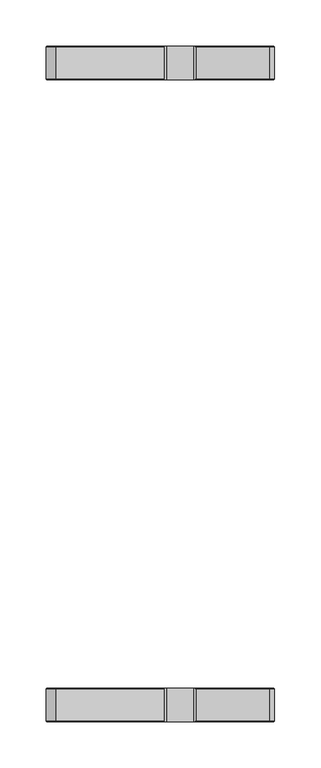
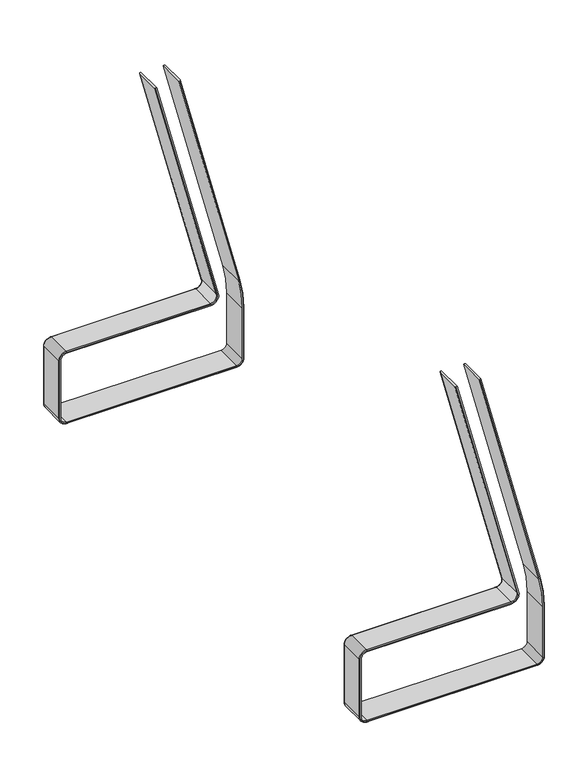
"""IFC4 building model written with IfcOpenShell, lengths in millimetres: furniture geometry."""

from ifc_helpers import new_model, si_unit, point, frame, origin, place, context, project, spatial, polyline, circle_curve, ellipse_curve, trimmed, source, transform, mapped, element, save
from ifc_brep_helpers import plane_surface, cylinder_surface, revolved_surface, advanced_brep


def furniture_10f48ba0(model_context):
    return source(origin(), model_context, "Body", "AdvancedBrep", [
        advanced_brep(
        [(162.3124361, -698.5577093, 711.0859566), (161.1480613, -697.3552722, 710.7858129), (160.0335613, -697.3552722, 710.4985256), (160.0335613, -733.601072, 710.4985256), (161.1378759, -733.601072, 710.7831874), (162.3124361, -732.3881165, 711.0859566), (242.0334385, -732.3881165, 401.8169835), (242.0334385, -698.5577093, 401.8169835), (240.8588783, -733.601072, 401.5142143), (239.7545637, -733.601072, 401.2295525), (244.9061895, -733.601072, 360.6059113), (244.9061895, -733.601072, 289.6814905), (237.4355134, -733.601072, 282.2108144), (10.6643227, -733.601072, 282.2108144), (2.3533689, -733.601072, 290.5217681), (2.3533689, -733.601072, 371.3713747), (10.0860828, -733.601072, 379.1040886), (202.6657788, -733.601072, 379.1040886), (212.8298487, -733.601072, 392.2204284), (130.4438897, -733.601072, 711.8278113), (129.3395751, -733.601072, 711.5431495), (211.7255341, -733.601072, 391.9357666), (202.6657788, -733.601072, 380.2445021), (10.0860828, -733.601072, 380.2445021), (1.2129555, -733.601072, 371.3713747), (1.2129555, -733.601072, 290.5217681), (10.6643227, -733.601072, 281.0704009), (237.4355134, -733.601072, 281.0704009), (246.046603, -733.601072, 289.6814905), (246.046603, -733.601072, 360.6059113), (239.7545637, -697.3552722, 401.2295525), (240.8690637, -697.3552722, 401.5168398), (246.0571213, -697.3552722, 360.6059113), (246.0571213, -697.3552722, 289.6814905), (237.4355134, -697.3552722, 281.0598825), (10.6643227, -697.3552722, 281.0598825), (1.2024371, -697.3552722, 290.5217681), (1.2024371, -697.3552722, 371.3713747), (10.0860828, -697.3552722, 380.2550204), (202.6657788, -697.3552722, 380.2550204), (211.7153487, -697.3552722, 391.9331411), (129.3293897, -697.3552722, 711.540524), (130.4438897, -697.3552722, 711.8278113), (212.8298487, -697.3552722, 392.2204284), (202.6657788, -697.3552722, 379.1040886), (10.0860828, -697.3552722, 379.1040886), (2.3533689, -697.3552722, 371.3713747), (2.3533689, -697.3552722, 290.5217681), (10.6643227, -697.3552722, 282.2108144), (237.4355134, -697.3552722, 282.2108144), (244.9061895, -697.3552722, 289.6814905), (244.9061895, -697.3552722, 360.6059113), (247.2595585, -698.5577093, 360.6059113), (247.2595585, -732.3881165, 360.6059113), (247.2595585, -732.3881165, 289.6814905), (247.2595585, -698.5577093, 289.6814905), (237.4355134, -698.5577093, 279.8574454), (237.4355134, -732.3881165, 279.8574454), (10.6643227, -732.3881165, 279.8574454), (10.6643227, -698.5577093, 279.8574454), (0.0, -698.5577093, 290.5217681), (0.0, -732.3881165, 290.5217681), (0.0, -732.3881165, 371.3713747), (0.0, -698.5577093, 371.3713747), (10.0860828, -698.5577093, 381.4574575), (10.0860828, -732.3881165, 381.4574575), (202.6657788, -732.3881165, 381.4574575), (202.6657788, -698.5577093, 381.4574575), (210.5509739, -698.5577093, 391.6329974), (210.5509739, -732.3881165, 391.6329974), (128.1650149, -698.5577093, 711.2403803), (128.1650149, -732.3881165, 711.2403803)],
        [
            (0, 1, circle_curve(frame((161.1480613, -698.5577093, 710.7858129), z_axis=(-0.24961279341432785, 0.0, 0.9683457302863975), x_axis=(0.0, 1.0, 0.0)), 1.2024371)),
            (1, 2),
            (2, 3),
            (3, 4),
            (4, 5, circle_curve(frame((161.1378759, -732.3881165, 710.7831874), z_axis=(-0.24961279341432785, 0.0, 0.9683457302863975), x_axis=(0.0, 1.0, 0.0)), 1.2129555)),
            (5, 0),
            (5, 6),
            (6, 7),
            (7, 0),
            (4, 8),
            (8, 6, circle_curve(frame((240.8588783, -732.3881165, 401.5142143), z_axis=(-0.24961279341432785, 0.0, 0.9683457302863975), x_axis=(0.0, 1.0, 0.0)), 1.2129555)),
            (3, 9),
            (9, 10, circle_curve(frame((82.1595585, -733.601072, 360.6059113), z_axis=(0.0, 1.0, 0.0), x_axis=(0.9683457302863973, 0.0, 0.24961279341432788)), 162.7466311)),
            (10, 11),
            (11, 12, circle_curve(frame((237.4355134, -733.601072, 289.6814905), z_axis=(0.0, 1.0, 0.0), x_axis=(1.0, 0.0, 0.0)), 7.4706762)),
            (12, 13),
            (13, 14, circle_curve(frame((10.6643227, -733.601072, 290.5217681), z_axis=(0.0, 1.0, 0.0), x_axis=(0.0, 0.0, -1.0)), 8.3109538)),
            (14, 15),
            (15, 16, circle_curve(frame((10.0860828, -733.601072, 371.3713747), z_axis=(0.0, 1.0, 0.0), x_axis=(-1.0, 0.0, 0.0)), 7.7327139)),
            (16, 17),
            (17, 18, circle_curve(frame((202.6657788, -733.601072, 389.6004119), z_axis=(0.0, -1.0, 0.0), x_axis=(0.0, 0.0, -1.0)), 10.4963233)),
            (18, 19),
            (19, 20),
            (20, 21),
            (21, 22, circle_curve(frame((202.6657788, -733.601072, 389.6004119), z_axis=(0.0, 1.0, 0.0), x_axis=(0.0, 0.0, -1.0)), 9.3559098)),
            (22, 23),
            (23, 24, circle_curve(frame((10.0860828, -733.601072, 371.3713747), z_axis=(0.0, -1.0, 0.0), x_axis=(-1.0, 0.0, 0.0)), 8.8731274)),
            (24, 25),
            (25, 26, circle_curve(frame((10.6643227, -733.601072, 290.5217681), z_axis=(0.0, -1.0, 0.0), x_axis=(0.0, 0.0, -1.0)), 9.4513672)),
            (26, 27),
            (27, 28, circle_curve(frame((237.4355134, -733.601072, 289.6814905), z_axis=(0.0, -1.0, 0.0), x_axis=(1.0, 0.0, 0.0)), 8.6110896)),
            (28, 29),
            (29, 8, circle_curve(frame((82.1595585, -733.601072, 360.6059113), z_axis=(0.0, -1.0, 0.0), x_axis=(0.9683457302863973, 0.0, 0.24961279341432788)), 163.8870445)),
            (2, 30),
            (30, 9),
            (1, 31),
            (31, 32, circle_curve(frame((82.1595585, -697.3552722, 360.6059113), z_axis=(0.0, 1.0, 0.0), x_axis=(0.9683457302863973, 0.0, 0.24961279341432788)), 163.8975629)),
            (32, 33),
            (33, 34, circle_curve(frame((237.4355134, -697.3552722, 289.6814905), z_axis=(0.0, 1.0, 0.0), x_axis=(1.0, 0.0, 0.0)), 8.621608)),
            (34, 35),
            (35, 36, circle_curve(frame((10.6643227, -697.3552722, 290.5217681), z_axis=(0.0, 1.0, 0.0), x_axis=(0.0, 0.0, -1.0)), 9.4618856)),
            (36, 37),
            (37, 38, circle_curve(frame((10.0860828, -697.3552722, 371.3713747), z_axis=(0.0, 1.0, 0.0), x_axis=(-1.0, 0.0, 0.0)), 8.8836457)),
            (38, 39),
            (39, 40, circle_curve(frame((202.6657788, -697.3552722, 389.6004119), z_axis=(0.0, -1.0, 0.0), x_axis=(0.0, 0.0, -1.0)), 9.3453914)),
            (40, 41),
            (41, 42),
            (42, 43),
            (43, 44, circle_curve(frame((202.6657788, -697.3552722, 389.6004119), z_axis=(0.0, 1.0, 0.0), x_axis=(0.0, 0.0, -1.0)), 10.4963233)),
            (44, 45),
            (45, 46, circle_curve(frame((10.0860828, -697.3552722, 371.3713747), z_axis=(0.0, -1.0, 0.0), x_axis=(-1.0, 0.0, 0.0)), 7.7327139)),
            (46, 47),
            (47, 48, circle_curve(frame((10.6643227, -697.3552722, 290.5217681), z_axis=(0.0, -1.0, 0.0), x_axis=(0.0, 0.0, -1.0)), 8.3109538)),
            (48, 49),
            (49, 50, circle_curve(frame((237.4355134, -697.3552722, 289.6814905), z_axis=(0.0, -1.0, 0.0), x_axis=(1.0, 0.0, 0.0)), 7.4706762)),
            (50, 51),
            (51, 30, circle_curve(frame((82.1595585, -697.3552722, 360.6059113), z_axis=(0.0, -1.0, 0.0), x_axis=(0.9683457302863973, 0.0, 0.24961279341432788)), 162.7466311)),
            (7, 31, circle_curve(frame((240.8690637, -698.5577093, 401.5168398), z_axis=(-0.24961279341432785, 0.0, 0.9683457302863975), x_axis=(0.0, 1.0, 0.0)), 1.2024371)),
            (52, 7, circle_curve(frame((82.1595585, -698.5577093, 360.6059113), z_axis=(0.0, -1.0, 0.0), x_axis=(0.9683457302863973, 0.0, 0.24961279341432788)), 165.1)),
            (6, 53, circle_curve(frame((82.1595585, -732.3881165, 360.6059113), z_axis=(0.0, 1.0, 0.0), x_axis=(0.9683457302863973, 0.0, 0.24961279341432788)), 165.1)),
            (53, 52),
            (29, 53, circle_curve(frame((246.046603, -732.3881165, 360.6059113), z_axis=(0.0, 0.0, 1.0), x_axis=(0.0, 1.0, 0.0)), 1.2129555)),
            (51, 10),
            (52, 32, circle_curve(frame((246.0571213, -698.5577093, 360.6059113), z_axis=(0.0, 0.0, 1.0), x_axis=(0.0, 1.0, 0.0)), 1.2024371)),
            (53, 54),
            (54, 55),
            (55, 52),
            (28, 54, circle_curve(frame((246.046603, -732.3881165, 289.6814905), z_axis=(0.0, 0.0, 1.0), x_axis=(0.0, 1.0, 0.0)), 1.2129555)),
            (50, 11),
            (55, 33, circle_curve(frame((246.0571213, -698.5577093, 289.6814905), z_axis=(0.0, 0.0, 1.0), x_axis=(0.0, 1.0, 0.0)), 1.2024371)),
            (56, 55, circle_curve(frame((237.4355134, -698.5577093, 289.6814905), z_axis=(0.0, -1.0, 0.0), x_axis=(1.0, 0.0, 0.0)), 9.8240451)),
            (54, 57, circle_curve(frame((237.4355134, -732.3881165, 289.6814905), z_axis=(0.0, 1.0, 0.0), x_axis=(1.0, 0.0, 0.0)), 9.8240451)),
            (57, 56),
            (27, 57, circle_curve(frame((237.4355134, -732.3881165, 281.0704009), z_axis=(1.0, 0.0, 0.0), x_axis=(0.0, 1.0, 0.0)), 1.2129555)),
            (49, 12),
            (56, 34, circle_curve(frame((237.4355134, -698.5577093, 281.0598825), z_axis=(1.0, 0.0, 0.0), x_axis=(0.0, 1.0, 0.0)), 1.2024371)),
            (57, 58),
            (58, 59),
            (59, 56),
            (26, 58, circle_curve(frame((10.6643227, -732.3881165, 281.0704009), z_axis=(1.0, 0.0, 0.0), x_axis=(0.0, 1.0, 0.0)), 1.2129555)),
            (48, 13),
            (59, 35, circle_curve(frame((10.6643227, -698.5577093, 281.0598825), z_axis=(1.0, 0.0, 0.0), x_axis=(0.0, 1.0, 0.0)), 1.2024371)),
            (60, 59, circle_curve(frame((10.6643227, -698.5577093, 290.5217681), z_axis=(0.0, -1.0, 0.0), x_axis=(0.0, 0.0, -1.0)), 10.6643227)),
            (58, 61, circle_curve(frame((10.6643227, -732.3881165, 290.5217681), z_axis=(0.0, 1.0, 0.0), x_axis=(0.0, 0.0, -1.0)), 10.6643227)),
            (61, 60),
            (25, 61, circle_curve(frame((1.2129555, -732.3881165, 290.5217681), z_axis=(0.0, 0.0, -1.0), x_axis=(0.0, 1.0, 0.0)), 1.2129555)),
            (47, 14),
            (60, 36, circle_curve(frame((1.2024371, -698.5577093, 290.5217681), z_axis=(0.0, 0.0, -1.0), x_axis=(0.0, 1.0, 0.0)), 1.2024371)),
            (61, 62),
            (62, 63),
            (63, 60),
            (24, 62, circle_curve(frame((1.2129555, -732.3881165, 371.3713747), z_axis=(0.0, 0.0, -1.0), x_axis=(0.0, 1.0, 0.0)), 1.2129555)),
            (46, 15),
            (63, 37, circle_curve(frame((1.2024371, -698.5577093, 371.3713747), z_axis=(0.0, 0.0, -1.0), x_axis=(0.0, 1.0, 0.0)), 1.2024371)),
            (64, 63, circle_curve(frame((10.0860828, -698.5577093, 371.3713747), z_axis=(0.0, -1.0, 0.0), x_axis=(-1.0, 0.0, 0.0)), 10.0860828)),
            (62, 65, circle_curve(frame((10.0860828, -732.3881165, 371.3713747), z_axis=(0.0, 1.0, 0.0), x_axis=(-1.0, 0.0, 0.0)), 10.0860828)),
            (65, 64),
            (23, 65, circle_curve(frame((10.0860828, -732.3881165, 380.2445021), z_axis=(-1.0, 0.0, 0.0), x_axis=(0.0, 1.0, 0.0)), 1.2129555)),
            (45, 16),
            (64, 38, circle_curve(frame((10.0860828, -698.5577093, 380.2550204), z_axis=(-1.0, 0.0, 0.0), x_axis=(0.0, 1.0, 0.0)), 1.2024371)),
            (65, 66),
            (66, 67),
            (67, 64),
            (22, 66, circle_curve(frame((202.6657788, -732.3881165, 380.2445021), z_axis=(-1.0, 0.0, 0.0), x_axis=(0.0, 1.0, 0.0)), 1.2129555)),
            (44, 17),
            (67, 39, circle_curve(frame((202.6657788, -698.5577093, 380.2550204), z_axis=(-1.0, 0.0, 0.0), x_axis=(0.0, 1.0, 0.0)), 1.2024371)),
            (68, 67, circle_curve(frame((202.6657788, -698.5577093, 389.6004119), z_axis=(0.0, 1.0, 0.0), x_axis=(0.0, 0.0, -1.0)), 8.1429543)),
            (66, 69, circle_curve(frame((202.6657788, -732.3881165, 389.6004119), z_axis=(0.0, -1.0, 0.0), x_axis=(0.0, 0.0, -1.0)), 8.1429543)),
            (69, 68),
            (21, 69, circle_curve(frame((211.7255341, -732.3881165, 391.9357666), z_axis=(0.24961279341432022, 0.0, -0.9683457302863993), x_axis=(0.0, 1.0, 0.0)), 1.2129555)),
            (43, 18),
            (68, 40, circle_curve(frame((211.7153487, -698.5577093, 391.9331411), z_axis=(0.24961279341432516, 0.0, -0.9683457302863979), x_axis=(0.0, 1.0, 0.0)), 1.2024371)),
            (70, 71),
            (71, 20, circle_curve(frame((129.3395751, -732.3881165, 711.5431495), z_axis=(-0.2496127934143279, 0.0, 0.9683457302863974), x_axis=(0.0, 1.0, 0.0)), 1.2129555)),
            (19, 42),
            (41, 70, circle_curve(frame((129.3293897, -698.5577093, 711.540524), z_axis=(-0.2496127934143279, 0.0, 0.9683457302863974), x_axis=(0.0, 1.0, 0.0)), 1.2024371)),
            (69, 71),
            (70, 68),
        ],
        [
            plane_surface(frame((162.3124361, -736.5990068, 711.0859566), z_axis=(-0.24961279341432782, 0.0, 0.9683457302863974), x_axis=(0.0, 1.0, 0.0))),
            plane_surface(frame((162.3124361, -732.3881165, 711.0859566), z_axis=(0.9683457302863974, 0.0, 0.2496127934143277), x_axis=(0.2496127934143277, 0.0, -0.9683457302863974))),
            cylinder_surface(frame((161.1378759, -732.3881165, 710.7831874), z_axis=(-0.2496127934143278, 0.0, 0.9683457302863973), x_axis=(0.0, 1.0, 0.0)), 1.2129555),
            plane_surface(frame((160.0335613, -733.601072, 710.4985256), z_axis=(0.0, -1.0, 0.0), x_axis=(0.2496127934143277, 0.0, -0.9683457302863974))),
            plane_surface(frame((160.0335613, -697.3552722, 710.4985256), z_axis=(-0.9683457302863974, 0.0, -0.2496127934143277), x_axis=(0.2496127934143277, 0.0, -0.9683457302863974))),
            plane_surface(frame((161.1480613, -697.3552722, 710.7858129), z_axis=(0.0, 1.0, 0.0), x_axis=(0.2496127934143277, 0.0, -0.9683457302863974))),
            cylinder_surface(frame((161.1480613, -698.5577093, 710.7858129), z_axis=(-0.2496127934143278, 0.0, 0.9683457302863973), x_axis=(0.0, 1.0, 0.0)), 1.2024371),
            cylinder_surface(frame((82.1595585, -736.5990068, 360.6059113), z_axis=(0.0, 1.0, 0.0), x_axis=(0.9683457302863973, 0.0, 0.24961279341432788)), 165.1),
            revolved_surface(trimmed(ellipse_curve(frame((240.8588783, -732.3881165, 401.5142143), z_axis=(-0.24961279341432796, 0.0, 0.9683457302863973), x_axis=(0.0, 1.0, 0.0)), 1.2129555, 1.2129555), [point((240.8588783, -733.601072, 401.5142143))], [point((242.0334385, -732.3881165, 401.8169835))], True, "CARTESIAN"), (82.1595585, -736.5990068, 360.6059113), (0.0, 1.0, 0.0)),
            revolved_surface(polyline([(239.7545638441804, -697.3552722, 401.22955250764215), (239.7545638441804, -733.601072, 401.22955250764215)]), (82.1595585, -736.5990068, 360.6059113), (0.0, 1.0, 0.0)),
            revolved_surface(trimmed(ellipse_curve(frame((240.8690637, -698.5577093, 401.5168398), z_axis=(-0.24961279341432796, 0.0, 0.9683457302863973), x_axis=(0.0, 1.0, 0.0)), 1.2024371, 1.2024371), [point((242.0334385, -698.5577093, 401.8169835))], [point((240.8690637, -697.3552722, 401.5168398))], True, "CARTESIAN"), (82.1595585, -736.5990068, 360.6059113), (0.0, 1.0, 0.0)),
            plane_surface(frame((247.2595585, -732.3881165, 360.6059113), z_axis=(1.0, 0.0, 0.0), x_axis=(0.0, 0.0, -1.0))),
            cylinder_surface(frame((246.046603, -732.3881165, 360.6059113), z_axis=(0.0, 0.0, 1.0), x_axis=(0.0, 1.0, 0.0)), 1.2129555),
            plane_surface(frame((244.9061895, -697.3552722, 360.6059113), z_axis=(-1.0, 0.0, 0.0), x_axis=(0.0, 0.0, -1.0))),
            cylinder_surface(frame((246.0571213, -698.5577093, 360.6059113), z_axis=(0.0, 0.0, 1.0), x_axis=(0.0, 1.0, 0.0)), 1.2024371),
            cylinder_surface(frame((237.4355134, -736.5990068, 289.6814905), z_axis=(0.0, 1.0, 0.0), x_axis=(1.0, 0.0, 0.0)), 9.8240451),
            revolved_surface(trimmed(ellipse_curve(frame((246.046603, -732.3881165, 289.6814905), z_axis=(0.0, 0.0, 1.0), x_axis=(0.0, 1.0, 0.0)), 1.2129555, 1.2129555), [point((246.046603, -733.601072, 289.6814905))], [point((247.2595585, -732.3881165, 289.6814905))], True, "CARTESIAN"), (237.4355134, -736.5990068, 289.6814905), (0.0, 1.0, 0.0)),
            revolved_surface(polyline([(244.9061896, -697.3552722, 289.6814905), (244.9061896, -733.601072, 289.6814905)]), (237.4355134, -736.5990068, 289.6814905), (0.0, 1.0, 0.0)),
            revolved_surface(trimmed(ellipse_curve(frame((246.0571213, -698.5577093, 289.6814905), z_axis=(0.0, 0.0, 1.0), x_axis=(0.0, 1.0, 0.0)), 1.2024371, 1.2024371), [point((247.2595585, -698.5577093, 289.6814905))], [point((246.0571213, -697.3552722, 289.6814905))], True, "CARTESIAN"), (237.4355134, -736.5990068, 289.6814905), (0.0, 1.0, 0.0)),
            plane_surface(frame((237.4355134, -732.3881165, 279.8574454), z_axis=(0.0, 0.0, -1.0), x_axis=(-1.0, 0.0, 0.0))),
            cylinder_surface(frame((237.4355134, -732.3881165, 281.0704009), z_axis=(1.0, 0.0, 0.0), x_axis=(0.0, 1.0, 0.0)), 1.2129555),
            plane_surface(frame((237.4355134, -697.3552722, 282.2108144), z_axis=(0.0, 0.0, 1.0), x_axis=(-1.0, 0.0, 0.0))),
            cylinder_surface(frame((237.4355134, -698.5577093, 281.0598825), z_axis=(1.0, 0.0, 0.0), x_axis=(0.0, 1.0, 0.0)), 1.2024371),
            cylinder_surface(frame((10.6643227, -736.5990068, 290.5217681), z_axis=(0.0, 1.0, 0.0), x_axis=(0.0, 0.0, -1.0)), 10.6643227),
            revolved_surface(trimmed(ellipse_curve(frame((10.6643227, -732.3881165, 281.0704009), z_axis=(1.0, 0.0, 0.0), x_axis=(0.0, 1.0, 0.0)), 1.2129555, 1.2129555), [point((10.6643227, -733.601072, 281.0704009))], [point((10.6643227, -732.3881165, 279.8574454))], True, "CARTESIAN"), (10.6643227, -736.5990068, 290.5217681), (0.0, 1.0, 0.0)),
            revolved_surface(polyline([(10.6643227, -697.3552722, 282.2108143), (10.6643227, -733.601072, 282.2108143)]), (10.6643227, -736.5990068, 290.5217681), (0.0, 1.0, 0.0)),
            revolved_surface(trimmed(ellipse_curve(frame((10.6643227, -698.5577093, 281.0598825), z_axis=(1.0, 0.0, 0.0), x_axis=(0.0, 1.0, 0.0)), 1.2024371, 1.2024371), [point((10.6643227, -698.5577093, 279.8574454))], [point((10.6643227, -697.3552722, 281.0598825))], True, "CARTESIAN"), (10.6643227, -736.5990068, 290.5217681), (0.0, 1.0, 0.0)),
            plane_surface(frame((0.0, -732.3881165, 290.5217681), z_axis=(-1.0, 0.0, 0.0), x_axis=(0.0, 0.0, 1.0))),
            cylinder_surface(frame((1.2129555, -732.3881165, 290.5217681), z_axis=(0.0, 0.0, -1.0), x_axis=(0.0, 1.0, 0.0)), 1.2129555),
            plane_surface(frame((2.3533689, -697.3552722, 290.5217681), z_axis=(1.0, 0.0, 0.0), x_axis=(0.0, 0.0, 1.0))),
            cylinder_surface(frame((1.2024371, -698.5577093, 290.5217681), z_axis=(0.0, 0.0, -1.0), x_axis=(0.0, 1.0, 0.0)), 1.2024371),
            cylinder_surface(frame((10.0860828, -736.5990068, 371.3713747), z_axis=(0.0, 1.0, 0.0), x_axis=(-1.0, 0.0, 0.0)), 10.0860828),
            revolved_surface(trimmed(ellipse_curve(frame((1.2129555, -732.3881165, 371.3713747), z_axis=(0.0, 0.0, -1.0), x_axis=(0.0, 1.0, 0.0)), 1.2129555, 1.2129555), [point((1.2129555, -733.601072, 371.3713747))], [point((0.0, -732.3881165, 371.3713747))], True, "CARTESIAN"), (10.0860828, -736.5990068, 371.3713747), (0.0, 1.0, 0.0)),
            revolved_surface(polyline([(2.3533688999999995, -697.3552722, 371.3713747), (2.3533688999999995, -733.601072, 371.3713747)]), (10.0860828, -736.5990068, 371.3713747), (0.0, 1.0, 0.0)),
            revolved_surface(trimmed(ellipse_curve(frame((1.2024371, -698.5577093, 371.3713747), z_axis=(0.0, 0.0, -1.0), x_axis=(0.0, 1.0, 0.0)), 1.2024371, 1.2024371), [point((0.0, -698.5577093, 371.3713747))], [point((1.2024371, -697.3552722, 371.3713747))], True, "CARTESIAN"), (10.0860828, -736.5990068, 371.3713747), (0.0, 1.0, 0.0)),
            plane_surface(frame((10.0860828, -732.3881165, 381.4574575), z_axis=(0.0, 0.0, 1.0), x_axis=(1.0, 0.0, 0.0))),
            cylinder_surface(frame((10.0860828, -732.3881165, 380.2445021), z_axis=(-1.0, 0.0, 0.0), x_axis=(0.0, 1.0, 0.0)), 1.2129555),
            plane_surface(frame((10.0860828, -697.3552722, 379.1040886), z_axis=(0.0, 0.0, -1.0), x_axis=(1.0, 0.0, 0.0))),
            cylinder_surface(frame((10.0860828, -698.5577093, 380.2550204), z_axis=(-1.0, 0.0, 0.0), x_axis=(0.0, 1.0, 0.0)), 1.2024371),
            revolved_surface(polyline([(202.6657788, -732.3881165, 381.4574576), (202.6657788, -698.5577093, 381.4574576)]), (202.6657788, -736.5990068, 389.6004119), (0.0, -1.0, 0.0)),
            revolved_surface(trimmed(ellipse_curve(frame((202.6657788, -732.3881165, 380.2445021), z_axis=(-1.0, 0.0, 0.0), x_axis=(0.0, 1.0, 0.0)), 1.2129555, 1.2129555), [point((202.6657788, -733.601072, 380.2445021))], [point((202.6657788, -732.3881165, 381.4574575))], True, "CARTESIAN"), (202.6657788, -736.5990068, 389.6004119), (0.0, -1.0, 0.0)),
            cylinder_surface(frame((202.6657788, -736.5990068, 389.6004119), z_axis=(0.0, -1.0, 0.0), x_axis=(0.0, 0.0, -1.0)), 10.4963233),
            revolved_surface(trimmed(ellipse_curve(frame((202.6657788, -698.5577093, 380.2550204), z_axis=(-1.0, 0.0, 0.0), x_axis=(0.0, 1.0, 0.0)), 1.2024371, 1.2024371), [point((202.6657788, -698.5577093, 381.4574575))], [point((202.6657788, -697.3552722, 380.2550204))], True, "CARTESIAN"), (202.6657788, -736.5990068, 389.6004119), (0.0, -1.0, 0.0)),
            plane_surface(frame((128.1650149, -736.5990068, 711.2403803), z_axis=(-0.2496127934143278, 0.0, 0.9683457302863974), x_axis=(0.0, 1.0, 0.0))),
            plane_surface(frame((210.5509739, -732.3881165, 391.6329974), z_axis=(-0.9683457302863974, 0.0, -0.24961279341432793), x_axis=(-0.24961279341432793, 0.0, 0.9683457302863974))),
            cylinder_surface(frame((211.7255341, -732.3881165, 391.9357666), z_axis=(0.2496127934143279, 0.0, -0.9683457302863974), x_axis=(0.0, 1.0, 0.0)), 1.2129555),
            plane_surface(frame((212.8298487, -697.3552722, 392.2204284), z_axis=(0.9683457302863974, 0.0, 0.24961279341432774), x_axis=(-0.24961279341432774, 0.0, 0.9683457302863974))),
            cylinder_surface(frame((211.7153487, -698.5577093, 391.9331411), z_axis=(0.2496127934143279, 0.0, -0.9683457302863974), x_axis=(0.0, 1.0, 0.0)), 1.2024371),
        ],
        [
            (0, [[1, 2, 3, 4, 5, 6]]),
            (1, [[-6, 7, 8, 9]]),
            (2, [[-5, 10, 11, -7]]),
            (3, [[-4, 12, 13, 14, 15, 16, 17, 18, 19, 20, 21, 22, 23, 24, 25, 26, 27, 28, 29, 30, 31, 32, 33, -10]]),
            (4, [[-3, 34, 35, -12]]),
            (5, [[-2, 36, 37, 38, 39, 40, 41, 42, 43, 44, 45, 46, 47, 48, 49, 50, 51, 52, 53, 54, 55, 56, 57, -34]]),
            (6, [[-1, -9, 58, -36]]),
            (7, [[59, -8, 60, 61]]),
            (8, [[-60, -11, -33, 62]]),
            (9, [[-13, -35, -57, 63]]),
            (10, [[-37, -58, -59, 64]]),
            (11, [[-61, 65, 66, 67]]),
            (12, [[-62, -32, 68, -65]]),
            (13, [[-63, -56, 69, -14]]),
            (14, [[-64, -67, 70, -38]]),
            (15, [[71, -66, 72, 73]]),
            (16, [[-72, -68, -31, 74]]),
            (17, [[-15, -69, -55, 75]]),
            (18, [[-39, -70, -71, 76]]),
            (19, [[-73, 77, 78, 79]]),
            (20, [[-74, -30, 80, -77]]),
            (21, [[-75, -54, 81, -16]]),
            (22, [[-76, -79, 82, -40]]),
            (23, [[83, -78, 84, 85]]),
            (24, [[-84, -80, -29, 86]]),
            (25, [[-17, -81, -53, 87]]),
            (26, [[-41, -82, -83, 88]]),
            (27, [[-85, 89, 90, 91]]),
            (28, [[-86, -28, 92, -89]]),
            (29, [[-87, -52, 93, -18]]),
            (30, [[-88, -91, 94, -42]]),
            (31, [[95, -90, 96, 97]]),
            (32, [[-96, -92, -27, 98]]),
            (33, [[-19, -93, -51, 99]]),
            (34, [[-43, -94, -95, 100]]),
            (35, [[-97, 101, 102, 103]]),
            (36, [[-98, -26, 104, -101]]),
            (37, [[-99, -50, 105, -20]]),
            (38, [[-100, -103, 106, -44]]),
            (39, [[107, -102, 108, 109]]),
            (40, [[-108, -104, -25, 110]]),
            (41, [[-21, -105, -49, 111]]),
            (42, [[-45, -106, -107, 112]]),
            (43, [[113, 114, -23, 115, -47, 116]]),
            (44, [[-109, 117, -113, 118]]),
            (45, [[-110, -24, -114, -117]]),
            (46, [[-111, -48, -115, -22]]),
            (47, [[-112, -118, -116, -46]]),
        ],
    ),
        advanced_brep(
        [(162.3124361, -38.0412976, 711.0859566), (162.3124361, -4.2108903, 711.0859566), (161.1378759, -2.9979349, 710.7831874), (160.0335613, -2.9979349, 710.4985256), (160.0335613, -39.2437347, 710.4985256), (161.1480613, -39.2437347, 710.7858129), (242.0334385, -38.0412976, 401.8169835), (242.0334385, -4.2108903, 401.8169835), (240.8588783, -2.9979349, 401.5142143), (246.046603, -2.9979349, 360.6059113), (246.046603, -2.9979349, 289.6814905), (237.4355134, -2.9979349, 281.0704009), (10.6643227, -2.9979349, 281.0704009), (1.2129555, -2.9979349, 290.5217681), (1.2129555, -2.9979349, 371.3713747), (10.0860828, -2.9979349, 380.2445021), (202.6657788, -2.9979349, 380.2445021), (211.7255341, -2.9979349, 391.9357666), (129.3395751, -2.9979349, 711.5431495), (130.4438897, -2.9979349, 711.8278113), (212.8298487, -2.9979349, 392.2204284), (202.6657788, -2.9979349, 379.1040886), (10.0860828, -2.9979349, 379.1040886), (2.3533689, -2.9979349, 371.3713747), (2.3533689, -2.9979349, 290.5217681), (10.6643227, -2.9979349, 282.2108144), (237.4355134, -2.9979349, 282.2108144), (244.9061895, -2.9979349, 289.6814905), (244.9061895, -2.9979349, 360.6059113), (239.7545637, -2.9979349, 401.2295525), (239.7545637, -39.2437347, 401.2295525), (244.9061895, -39.2437347, 360.6059113), (244.9061895, -39.2437347, 289.6814905), (237.4355134, -39.2437347, 282.2108144), (10.6643227, -39.2437347, 282.2108144), (2.3533689, -39.2437347, 290.5217681), (2.3533689, -39.2437347, 371.3713747), (10.0860828, -39.2437347, 379.1040886), (202.6657788, -39.2437347, 379.1040886), (212.8298487, -39.2437347, 392.2204284), (130.4438897, -39.2437347, 711.8278113), (129.3293897, -39.2437347, 711.540524), (211.7153487, -39.2437347, 391.9331411), (202.6657788, -39.2437347, 380.2550204), (10.0860828, -39.2437347, 380.2550204), (1.2024371, -39.2437347, 371.3713747), (1.2024371, -39.2437347, 290.5217681), (10.6643227, -39.2437347, 281.0598825), (237.4355134, -39.2437347, 281.0598825), (246.0571213, -39.2437347, 289.6814905), (246.0571213, -39.2437347, 360.6059113), (240.8690637, -39.2437347, 401.5168398), (247.2595585, -4.2108903, 360.6059113), (247.2595585, -38.0412976, 360.6059113), (247.2595585, -38.0412976, 289.6814905), (247.2595585, -4.2108903, 289.6814905), (237.4355134, -4.2108903, 279.8574454), (237.4355134, -38.0412976, 279.8574454), (10.6643227, -38.0412976, 279.8574454), (10.6643227, -4.2108903, 279.8574454), (0.0, -4.2108903, 290.5217681), (0.0, -38.0412976, 290.5217681), (0.0, -38.0412976, 371.3713747), (0.0, -4.2108903, 371.3713747), (10.0860828, -4.2108903, 381.4574575), (10.0860828, -38.0412976, 381.4574575), (202.6657788, -38.0412976, 381.4574575), (202.6657788, -4.2108903, 381.4574575), (210.5509739, -4.2108903, 391.6329974), (210.5509739, -38.0412976, 391.6329974), (128.1650149, -38.0412976, 711.2403803), (128.1650149, -4.2108903, 711.2403803)],
        [
            (0, 1),
            (1, 2, circle_curve(frame((161.1378759, -4.2108903, 710.7831874), z_axis=(-0.24961279341432785, 0.0, 0.9683457302863975), x_axis=(0.0, -1.0, 0.0)), 1.2129555)),
            (2, 3),
            (3, 4),
            (4, 5),
            (5, 0, circle_curve(frame((161.1480613, -38.0412976, 710.7858129), z_axis=(-0.24961279341432785, 0.0, 0.9683457302863975), x_axis=(0.0, -1.0, 0.0)), 1.2024371)),
            (0, 6),
            (6, 7),
            (7, 1),
            (7, 8, circle_curve(frame((240.8588783, -4.2108903, 401.5142143), z_axis=(-0.24961279341432785, 0.0, 0.9683457302863975), x_axis=(0.0, -1.0, 0.0)), 1.2129555)),
            (8, 2),
            (8, 9, circle_curve(frame((82.1595585, -2.9979349, 360.6059113), z_axis=(0.0, 1.0, 0.0), x_axis=(0.9683457302863973, 0.0, 0.24961279341432788)), 163.8870445)),
            (9, 10),
            (10, 11, circle_curve(frame((237.4355134, -2.9979349, 289.6814905), z_axis=(0.0, 1.0, 0.0), x_axis=(1.0, 0.0, 0.0)), 8.6110896)),
            (11, 12),
            (12, 13, circle_curve(frame((10.6643227, -2.9979349, 290.5217681), z_axis=(0.0, 1.0, 0.0), x_axis=(0.0, 0.0, -1.0)), 9.4513672)),
            (13, 14),
            (14, 15, circle_curve(frame((10.0860828, -2.9979349, 371.3713747), z_axis=(0.0, 1.0, 0.0), x_axis=(-1.0, 0.0, 0.0)), 8.8731274)),
            (15, 16),
            (16, 17, circle_curve(frame((202.6657788, -2.9979349, 389.6004119), z_axis=(0.0, -1.0, 0.0), x_axis=(0.0, 0.0, -1.0)), 9.3559098)),
            (17, 18),
            (18, 19),
            (19, 20),
            (20, 21, circle_curve(frame((202.6657788, -2.9979349, 389.6004119), z_axis=(0.0, 1.0, 0.0), x_axis=(0.0, 0.0, -1.0)), 10.4963233)),
            (21, 22),
            (22, 23, circle_curve(frame((10.0860828, -2.9979349, 371.3713747), z_axis=(0.0, -1.0, 0.0), x_axis=(-1.0, 0.0, 0.0)), 7.7327139)),
            (23, 24),
            (24, 25, circle_curve(frame((10.6643227, -2.9979349, 290.5217681), z_axis=(0.0, -1.0, 0.0), x_axis=(0.0, 0.0, -1.0)), 8.3109538)),
            (25, 26),
            (26, 27, circle_curve(frame((237.4355134, -2.9979349, 289.6814905), z_axis=(0.0, -1.0, 0.0), x_axis=(1.0, 0.0, 0.0)), 7.4706762)),
            (27, 28),
            (28, 29, circle_curve(frame((82.1595585, -2.9979349, 360.6059113), z_axis=(0.0, -1.0, 0.0), x_axis=(0.9683457302863973, 0.0, 0.24961279341432788)), 162.7466311)),
            (29, 3),
            (29, 30),
            (30, 4),
            (30, 31, circle_curve(frame((82.1595585, -39.2437347, 360.6059113), z_axis=(0.0, 1.0, 0.0), x_axis=(0.9683457302863973, 0.0, 0.24961279341432788)), 162.7466311)),
            (31, 32),
            (32, 33, circle_curve(frame((237.4355134, -39.2437347, 289.6814905), z_axis=(0.0, 1.0, 0.0), x_axis=(1.0, 0.0, 0.0)), 7.4706762)),
            (33, 34),
            (34, 35, circle_curve(frame((10.6643227, -39.2437347, 290.5217681), z_axis=(0.0, 1.0, 0.0), x_axis=(0.0, 0.0, -1.0)), 8.3109538)),
            (35, 36),
            (36, 37, circle_curve(frame((10.0860828, -39.2437347, 371.3713747), z_axis=(0.0, 1.0, 0.0), x_axis=(-1.0, 0.0, 0.0)), 7.7327139)),
            (37, 38),
            (38, 39, circle_curve(frame((202.6657788, -39.2437347, 389.6004119), z_axis=(0.0, -1.0, 0.0), x_axis=(0.0, 0.0, -1.0)), 10.4963233)),
            (39, 40),
            (40, 41),
            (41, 42),
            (42, 43, circle_curve(frame((202.6657788, -39.2437347, 389.6004119), z_axis=(0.0, 1.0, 0.0), x_axis=(0.0, 0.0, -1.0)), 9.3453914)),
            (43, 44),
            (44, 45, circle_curve(frame((10.0860828, -39.2437347, 371.3713747), z_axis=(0.0, -1.0, 0.0), x_axis=(-1.0, 0.0, 0.0)), 8.8836457)),
            (45, 46),
            (46, 47, circle_curve(frame((10.6643227, -39.2437347, 290.5217681), z_axis=(0.0, -1.0, 0.0), x_axis=(0.0, 0.0, -1.0)), 9.4618856)),
            (47, 48),
            (48, 49, circle_curve(frame((237.4355134, -39.2437347, 289.6814905), z_axis=(0.0, -1.0, 0.0), x_axis=(1.0, 0.0, 0.0)), 8.621608)),
            (49, 50),
            (50, 51, circle_curve(frame((82.1595585, -39.2437347, 360.6059113), z_axis=(0.0, -1.0, 0.0), x_axis=(0.9683457302863973, 0.0, 0.24961279341432788)), 163.8975629)),
            (51, 5),
            (51, 6, circle_curve(frame((240.8690637, -38.0412976, 401.5168398), z_axis=(-0.24961279341432785, 0.0, 0.9683457302863975), x_axis=(0.0, -1.0, 0.0)), 1.2024371)),
            (52, 7, circle_curve(frame((82.1595585, -4.2108903, 360.6059113), z_axis=(0.0, -1.0, 0.0), x_axis=(0.9683457302863973, 0.0, 0.24961279341432788)), 165.1)),
            (6, 53, circle_curve(frame((82.1595585, -38.0412976, 360.6059113), z_axis=(0.0, 1.0, 0.0), x_axis=(0.9683457302863973, 0.0, 0.24961279341432788)), 165.1)),
            (53, 52),
            (52, 9, circle_curve(frame((246.046603, -4.2108903, 360.6059113), z_axis=(0.0, 0.0, 0.9999999999999999), x_axis=(0.0, -1.0, 0.0)), 1.2129555)),
            (28, 31),
            (50, 53, circle_curve(frame((246.0571213, -38.0412976, 360.6059113), z_axis=(0.0, 0.0, 1.0), x_axis=(0.0, -1.0, 0.0)), 1.2024371)),
            (53, 54),
            (54, 55),
            (55, 52),
            (55, 10, circle_curve(frame((246.046603, -4.2108903, 289.6814905), z_axis=(0.0, 0.0, 1.0), x_axis=(0.0, -1.0, 0.0)), 1.2129555)),
            (27, 32),
            (49, 54, circle_curve(frame((246.0571213, -38.0412976, 289.6814905), z_axis=(0.0, 0.0, 1.0), x_axis=(0.0, -1.0, 0.0)), 1.2024371)),
            (56, 55, circle_curve(frame((237.4355134, -4.2108903, 289.6814905), z_axis=(0.0, -1.0, 0.0), x_axis=(1.0, 0.0, 0.0)), 9.8240451)),
            (54, 57, circle_curve(frame((237.4355134, -38.0412976, 289.6814905), z_axis=(0.0, 1.0, 0.0), x_axis=(1.0, 0.0, 0.0)), 9.8240451)),
            (57, 56),
            (56, 11, circle_curve(frame((237.4355134, -4.2108903, 281.0704009), z_axis=(1.0, 0.0, 0.0), x_axis=(0.0, -1.0, 0.0)), 1.2129555)),
            (26, 33),
            (48, 57, circle_curve(frame((237.4355134, -38.0412976, 281.0598825), z_axis=(1.0, 0.0, 0.0), x_axis=(0.0, -1.0, 0.0)), 1.2024371)),
            (57, 58),
            (58, 59),
            (59, 56),
            (59, 12, circle_curve(frame((10.6643227, -4.2108903, 281.0704009), z_axis=(1.0, 0.0, 0.0), x_axis=(0.0, -1.0, 0.0)), 1.2129555)),
            (25, 34),
            (47, 58, circle_curve(frame((10.6643227, -38.0412976, 281.0598825), z_axis=(1.0, 0.0, 0.0), x_axis=(0.0, -1.0, 0.0)), 1.2024371)),
            (60, 59, circle_curve(frame((10.6643227, -4.2108903, 290.5217681), z_axis=(0.0, -1.0, 0.0), x_axis=(0.0, 0.0, -1.0)), 10.6643227)),
            (58, 61, circle_curve(frame((10.6643227, -38.0412976, 290.5217681), z_axis=(0.0, 1.0, 0.0), x_axis=(0.0, 0.0, -1.0)), 10.6643227)),
            (61, 60),
            (60, 13, circle_curve(frame((1.2129555, -4.2108903, 290.5217681), z_axis=(0.0, 0.0, -1.0), x_axis=(0.0, -1.0, 0.0)), 1.2129555)),
            (24, 35),
            (46, 61, circle_curve(frame((1.2024371, -38.0412976, 290.5217681), z_axis=(0.0, 0.0, -1.0), x_axis=(0.0, -1.0, 0.0)), 1.2024371)),
            (61, 62),
            (62, 63),
            (63, 60),
            (63, 14, circle_curve(frame((1.2129555, -4.2108903, 371.3713747), z_axis=(0.0, 0.0, -1.0), x_axis=(0.0, -1.0, 0.0)), 1.2129555)),
            (23, 36),
            (45, 62, circle_curve(frame((1.2024371, -38.0412976, 371.3713747), z_axis=(0.0, 0.0, -1.0), x_axis=(0.0, -1.0, 0.0)), 1.2024371)),
            (64, 63, circle_curve(frame((10.0860828, -4.2108903, 371.3713747), z_axis=(0.0, -1.0, 0.0), x_axis=(-1.0, 0.0, 0.0)), 10.0860828)),
            (62, 65, circle_curve(frame((10.0860828, -38.0412976, 371.3713747), z_axis=(0.0, 1.0, 0.0), x_axis=(-1.0, 0.0, 0.0)), 10.0860828)),
            (65, 64),
            (64, 15, circle_curve(frame((10.0860828, -4.2108903, 380.2445021), z_axis=(-1.0, 0.0, 0.0), x_axis=(0.0, -1.0, 0.0)), 1.2129555)),
            (22, 37),
            (44, 65, circle_curve(frame((10.0860828, -38.0412976, 380.2550204), z_axis=(-1.0, 0.0, 0.0), x_axis=(0.0, -1.0, 0.0)), 1.2024371)),
            (65, 66),
            (66, 67),
            (67, 64),
            (67, 16, circle_curve(frame((202.6657788, -4.2108903, 380.2445021), z_axis=(-1.0, 0.0, 0.0), x_axis=(0.0, -1.0, 0.0)), 1.2129555)),
            (21, 38),
            (43, 66, circle_curve(frame((202.6657788, -38.0412976, 380.2550204), z_axis=(-1.0, 0.0, 0.0), x_axis=(0.0, -1.0, 0.0)), 1.2024371)),
            (68, 67, circle_curve(frame((202.6657788, -4.2108903, 389.6004119), z_axis=(0.0, 1.0, 0.0), x_axis=(0.0, 0.0, -1.0)), 8.1429543)),
            (66, 69, circle_curve(frame((202.6657788, -38.0412976, 389.6004119), z_axis=(0.0, -1.0, 0.0), x_axis=(0.0, 0.0, -1.0)), 8.1429543)),
            (69, 68),
            (68, 17, circle_curve(frame((211.7255341, -4.2108903, 391.9357666), z_axis=(0.24961279341432066, 0.0, -0.9683457302863991), x_axis=(0.0, -1.0, 0.0)), 1.2129555)),
            (20, 39),
            (42, 69, circle_curve(frame((211.7153487, -38.0412976, 391.9331411), z_axis=(0.2496127934143243, 0.0, -0.9683457302863981), x_axis=(0.0, -1.0, 0.0)), 1.2024371)),
            (70, 41, circle_curve(frame((129.3293897, -38.0412976, 711.540524), z_axis=(-0.2496127934143279, 0.0, 0.9683457302863974), x_axis=(0.0, -1.0, 0.0)), 1.2024371)),
            (40, 19),
            (18, 71, circle_curve(frame((129.3395751, -4.2108903, 711.5431495), z_axis=(-0.2496127934143279, 0.0, 0.9683457302863974), x_axis=(0.0, -1.0, 0.0)), 1.2129555)),
            (71, 70),
            (69, 70),
            (71, 68),
        ],
        [
            plane_surface(frame((162.3124361, 0.0, 711.0859566), z_axis=(-0.24961279341432782, 0.0, 0.9683457302863974), x_axis=(0.0, -1.0, 0.0))),
            plane_surface(frame((162.3124361, -38.0412976, 711.0859566), z_axis=(0.9683457302863974, 0.0, 0.24961279341432777), x_axis=(0.24961279341432777, 0.0, -0.9683457302863974))),
            cylinder_surface(frame((161.1378759, -4.2108903, 710.7831874), z_axis=(-0.2496127934143278, 0.0, 0.9683457302863973), x_axis=(0.0, -1.0, 0.0)), 1.2129555),
            plane_surface(frame((161.1378759, -2.9979349, 710.7831874), z_axis=(0.0, 1.0, 0.0), x_axis=(0.2496127934143277, 0.0, -0.9683457302863974))),
            plane_surface(frame((160.0335613, -2.9979349, 710.4985256), z_axis=(-0.9683457302863975, 0.0, -0.24961279341432768), x_axis=(0.24961279341432768, 0.0, -0.9683457302863975))),
            plane_surface(frame((160.0335613, -39.2437347, 710.4985256), z_axis=(0.0, -1.0, 0.0), x_axis=(0.24961279341432777, 0.0, -0.9683457302863974))),
            cylinder_surface(frame((161.1480613, -38.0412976, 710.7858129), z_axis=(-0.2496127934143278, 0.0, 0.9683457302863973), x_axis=(0.0, -1.0, 0.0)), 1.2024371),
            cylinder_surface(frame((82.1595585, 0.0, 360.6059113), z_axis=(0.0, 1.0, 0.0), x_axis=(0.9683457302863973, 0.0, 0.24961279341432788)), 165.1),
            revolved_surface(trimmed(ellipse_curve(frame((240.8588783, -4.2108903, 401.5142143), z_axis=(-0.24961279341432796, 0.0, 0.9683457302863973), x_axis=(0.0, -1.0, 0.0)), 1.2129555, 1.2129555), [point((242.0334385, -4.2108903, 401.8169835))], [point((240.8588783, -2.9979349, 401.5142143))], True, "CARTESIAN"), (82.1595585, 0.0, 360.6059113), (0.0, 1.0, 0.0)),
            revolved_surface(polyline([(239.7545638441804, -2.9979349, 401.22955250764215), (239.7545638441804, -39.2437347, 401.22955250764215)]), (82.1595585, 0.0, 360.6059113), (0.0, 1.0, 0.0)),
            revolved_surface(trimmed(ellipse_curve(frame((240.8690637, -38.0412976, 401.5168398), z_axis=(-0.24961279341432796, 0.0, 0.9683457302863973), x_axis=(0.0, -1.0, 0.0)), 1.2024371, 1.2024371), [point((240.8690637, -39.2437347, 401.5168398))], [point((242.0334385, -38.0412976, 401.8169835))], True, "CARTESIAN"), (82.1595585, 0.0, 360.6059113), (0.0, 1.0, 0.0)),
            plane_surface(frame((247.2595585, -38.0412976, 360.6059113), z_axis=(1.0, 0.0, 0.0), x_axis=(0.0, 0.0, -1.0))),
            cylinder_surface(frame((246.046603, -4.2108903, 360.6059113), z_axis=(0.0, 0.0, 1.0), x_axis=(0.0, -1.0, 0.0)), 1.2129555),
            plane_surface(frame((244.9061895, -2.9979349, 360.6059113), z_axis=(-1.0, 0.0, 0.0), x_axis=(0.0, 0.0, -1.0))),
            cylinder_surface(frame((246.0571213, -38.0412976, 360.6059113), z_axis=(0.0, 0.0, 1.0), x_axis=(0.0, -1.0, 0.0)), 1.2024371),
            cylinder_surface(frame((237.4355134, 0.0, 289.6814905), z_axis=(0.0, 1.0, 0.0), x_axis=(1.0, 0.0, 0.0)), 9.8240451),
            revolved_surface(trimmed(ellipse_curve(frame((246.046603, -4.2108903, 289.6814905), z_axis=(0.0, 0.0, 1.0), x_axis=(0.0, -1.0, 0.0)), 1.2129555, 1.2129555), [point((247.2595585, -4.2108903, 289.6814905))], [point((246.046603, -2.9979349, 289.6814905))], True, "CARTESIAN"), (237.4355134, 0.0, 289.6814905), (0.0, 1.0, 0.0)),
            revolved_surface(polyline([(244.9061896, -2.9979349, 289.6814905), (244.9061896, -39.2437347, 289.6814905)]), (237.4355134, 0.0, 289.6814905), (0.0, 1.0, 0.0)),
            revolved_surface(trimmed(ellipse_curve(frame((246.0571213, -38.0412976, 289.6814905), z_axis=(0.0, 0.0, 1.0), x_axis=(0.0, -1.0, 0.0)), 1.2024371, 1.2024371), [point((246.0571213, -39.2437347, 289.6814905))], [point((247.2595585, -38.0412976, 289.6814905))], True, "CARTESIAN"), (237.4355134, 0.0, 289.6814905), (0.0, 1.0, 0.0)),
            plane_surface(frame((237.4355134, -38.0412976, 279.8574454), z_axis=(0.0, 0.0, -1.0), x_axis=(-1.0, 0.0, 0.0))),
            cylinder_surface(frame((237.4355134, -4.2108903, 281.0704009), z_axis=(1.0, 0.0, 0.0), x_axis=(0.0, -1.0, 0.0)), 1.2129555),
            plane_surface(frame((237.4355134, -2.9979349, 282.2108144), z_axis=(0.0, 0.0, 1.0), x_axis=(-1.0, 0.0, 0.0))),
            cylinder_surface(frame((237.4355134, -38.0412976, 281.0598825), z_axis=(1.0, 0.0, 0.0), x_axis=(0.0, -1.0, 0.0)), 1.2024371),
            cylinder_surface(frame((10.6643227, 0.0, 290.5217681), z_axis=(0.0, 1.0, 0.0), x_axis=(0.0, 0.0, -1.0)), 10.6643227),
            revolved_surface(trimmed(ellipse_curve(frame((10.6643227, -4.2108903, 281.0704009), z_axis=(1.0, 0.0, 0.0), x_axis=(0.0, -1.0, 0.0)), 1.2129555, 1.2129555), [point((10.6643227, -4.2108903, 279.8574454))], [point((10.6643227, -2.9979349, 281.0704009))], True, "CARTESIAN"), (10.6643227, 0.0, 290.5217681), (0.0, 1.0, 0.0)),
            revolved_surface(polyline([(10.6643227, -2.9979349, 282.2108143), (10.6643227, -39.2437347, 282.2108143)]), (10.6643227, 0.0, 290.5217681), (0.0, 1.0, 0.0)),
            revolved_surface(trimmed(ellipse_curve(frame((10.6643227, -38.0412976, 281.0598825), z_axis=(1.0, 0.0, 0.0), x_axis=(0.0, -1.0, 0.0)), 1.2024371, 1.2024371), [point((10.6643227, -39.2437347, 281.0598825))], [point((10.6643227, -38.0412976, 279.8574454))], True, "CARTESIAN"), (10.6643227, 0.0, 290.5217681), (0.0, 1.0, 0.0)),
            plane_surface(frame((0.0, -38.0412976, 290.5217681), z_axis=(-1.0, 0.0, 0.0), x_axis=(0.0, 0.0, 1.0))),
            cylinder_surface(frame((1.2129555, -4.2108903, 290.5217681), z_axis=(0.0, 0.0, -1.0), x_axis=(0.0, -1.0, 0.0)), 1.2129555),
            plane_surface(frame((2.3533689, -2.9979349, 290.5217681), z_axis=(1.0, 0.0, 0.0), x_axis=(0.0, 0.0, 1.0))),
            cylinder_surface(frame((1.2024371, -38.0412976, 290.5217681), z_axis=(0.0, 0.0, -1.0), x_axis=(0.0, -1.0, 0.0)), 1.2024371),
            cylinder_surface(frame((10.0860828, 0.0, 371.3713747), z_axis=(0.0, 1.0, 0.0), x_axis=(-1.0, 0.0, 0.0)), 10.0860828),
            revolved_surface(trimmed(ellipse_curve(frame((1.2129555, -4.2108903, 371.3713747), z_axis=(0.0, 0.0, -1.0), x_axis=(0.0, -1.0, 0.0)), 1.2129555, 1.2129555), [point((0.0, -4.2108903, 371.3713747))], [point((1.2129555, -2.9979349, 371.3713747))], True, "CARTESIAN"), (10.0860828, 0.0, 371.3713747), (0.0, 1.0, 0.0)),
            revolved_surface(polyline([(2.3533688999999995, -2.9979349, 371.3713747), (2.3533688999999995, -39.2437347, 371.3713747)]), (10.0860828, 0.0, 371.3713747), (0.0, 1.0, 0.0)),
            revolved_surface(trimmed(ellipse_curve(frame((1.2024371, -38.0412976, 371.3713747), z_axis=(0.0, 0.0, -1.0), x_axis=(0.0, -1.0, 0.0)), 1.2024371, 1.2024371), [point((1.2024371, -39.2437347, 371.3713747))], [point((0.0, -38.0412976, 371.3713747))], True, "CARTESIAN"), (10.0860828, 0.0, 371.3713747), (0.0, 1.0, 0.0)),
            plane_surface(frame((10.0860828, -38.0412976, 381.4574575), z_axis=(0.0, 0.0, 1.0), x_axis=(1.0, 0.0, 0.0))),
            cylinder_surface(frame((10.0860828, -4.2108903, 380.2445021), z_axis=(-1.0, 0.0, 0.0), x_axis=(0.0, -1.0, 0.0)), 1.2129555),
            plane_surface(frame((10.0860828, -2.9979349, 379.1040886), z_axis=(0.0, 0.0, -1.0), x_axis=(1.0, 0.0, 0.0))),
            cylinder_surface(frame((10.0860828, -38.0412976, 380.2550204), z_axis=(-1.0, 0.0, 0.0), x_axis=(0.0, -1.0, 0.0)), 1.2024371),
            revolved_surface(polyline([(202.6657788, -38.0412976, 381.4574576), (202.6657788, -4.2108903, 381.4574576)]), (202.6657788, 0.0, 389.6004119), (0.0, -1.0, 0.0)),
            revolved_surface(trimmed(ellipse_curve(frame((202.6657788, -4.2108903, 380.2445021), z_axis=(-1.0, 0.0, 0.0), x_axis=(0.0, -1.0, 0.0)), 1.2129555, 1.2129555), [point((202.6657788, -4.2108903, 381.4574575))], [point((202.6657788, -2.9979349, 380.2445021))], True, "CARTESIAN"), (202.6657788, 0.0, 389.6004119), (0.0, -1.0, 0.0)),
            cylinder_surface(frame((202.6657788, 0.0, 389.6004119), z_axis=(0.0, -1.0, 0.0), x_axis=(0.0, 0.0, -1.0)), 10.4963233),
            revolved_surface(trimmed(ellipse_curve(frame((202.6657788, -38.0412976, 380.2550204), z_axis=(-1.0, 0.0, 0.0), x_axis=(0.0, -1.0, 0.0)), 1.2024371, 1.2024371), [point((202.6657788, -39.2437347, 380.2550204))], [point((202.6657788, -38.0412976, 381.4574575))], True, "CARTESIAN"), (202.6657788, 0.0, 389.6004119), (0.0, -1.0, 0.0)),
            plane_surface(frame((128.1650149, 0.0, 711.2403803), z_axis=(-0.2496127934143278, 0.0, 0.9683457302863974), x_axis=(0.0, -1.0, 0.0))),
            plane_surface(frame((210.5509739, -38.0412976, 391.6329974), z_axis=(-0.9683457302863974, 0.0, -0.24961279341432793), x_axis=(-0.24961279341432793, 0.0, 0.9683457302863974))),
            cylinder_surface(frame((211.7255341, -4.2108903, 391.9357666), z_axis=(0.2496127934143279, 0.0, -0.9683457302863974), x_axis=(0.0, -1.0, 0.0)), 1.2129555),
            plane_surface(frame((212.8298487, -2.9979349, 392.2204284), z_axis=(0.9683457302863974, 0.0, 0.2496127934143278), x_axis=(-0.2496127934143278, 0.0, 0.9683457302863974))),
            cylinder_surface(frame((211.7153487, -38.0412976, 391.9331411), z_axis=(0.2496127934143279, 0.0, -0.9683457302863974), x_axis=(0.0, -1.0, 0.0)), 1.2024371),
        ],
        [
            (0, [[1, 2, 3, 4, 5, 6]]),
            (1, [[-1, 7, 8, 9]]),
            (2, [[-2, -9, 10, 11]]),
            (3, [[-3, -11, 12, 13, 14, 15, 16, 17, 18, 19, 20, 21, 22, 23, 24, 25, 26, 27, 28, 29, 30, 31, 32, 33]]),
            (4, [[-4, -33, 34, 35]]),
            (5, [[-5, -35, 36, 37, 38, 39, 40, 41, 42, 43, 44, 45, 46, 47, 48, 49, 50, 51, 52, 53, 54, 55, 56, 57]]),
            (6, [[-6, -57, 58, -7]]),
            (7, [[59, -8, 60, 61]]),
            (8, [[-12, -10, -59, 62]]),
            (9, [[-36, -34, -32, 63]]),
            (10, [[-60, -58, -56, 64]]),
            (11, [[-61, 65, 66, 67]]),
            (12, [[-62, -67, 68, -13]]),
            (13, [[-63, -31, 69, -37]]),
            (14, [[-64, -55, 70, -65]]),
            (15, [[71, -66, 72, 73]]),
            (16, [[-14, -68, -71, 74]]),
            (17, [[-38, -69, -30, 75]]),
            (18, [[-72, -70, -54, 76]]),
            (19, [[-73, 77, 78, 79]]),
            (20, [[-74, -79, 80, -15]]),
            (21, [[-75, -29, 81, -39]]),
            (22, [[-76, -53, 82, -77]]),
            (23, [[83, -78, 84, 85]]),
            (24, [[-16, -80, -83, 86]]),
            (25, [[-40, -81, -28, 87]]),
            (26, [[-84, -82, -52, 88]]),
            (27, [[-85, 89, 90, 91]]),
            (28, [[-86, -91, 92, -17]]),
            (29, [[-87, -27, 93, -41]]),
            (30, [[-88, -51, 94, -89]]),
            (31, [[95, -90, 96, 97]]),
            (32, [[-18, -92, -95, 98]]),
            (33, [[-42, -93, -26, 99]]),
            (34, [[-96, -94, -50, 100]]),
            (35, [[-97, 101, 102, 103]]),
            (36, [[-98, -103, 104, -19]]),
            (37, [[-99, -25, 105, -43]]),
            (38, [[-100, -49, 106, -101]]),
            (39, [[107, -102, 108, 109]]),
            (40, [[-20, -104, -107, 110]]),
            (41, [[-44, -105, -24, 111]]),
            (42, [[-108, -106, -48, 112]]),
            (43, [[113, -46, 114, -22, 115, 116]]),
            (44, [[-109, 117, -116, 118]]),
            (45, [[-110, -118, -115, -21]]),
            (46, [[-111, -23, -114, -45]]),
            (47, [[-112, -47, -113, -117]]),
        ],
    ),
    ])


if __name__ == "__main__":
    model = new_model("IFC4")
    model_context = context("Model", 3, world=origin())
    ifc_project = project(units=[si_unit("LENGTHUNIT", "METRE", prefix="MILLI")], contexts=[model_context])
    site = spatial("IfcSite", under=ifc_project)
    building = spatial("IfcBuilding", under=site)
    placement = place(None, origin())
    furniture_shape = furniture_10f48ba0(model_context)
    element("IfcFurniture", 1, at=placement, inside=building, context=model_context, shape_type="MappedRepresentation", body=[
        mapped(furniture_shape, transform((0.0, 0.0, 0.0), x_axis=(1.0, 0.0, 0.0), y_axis=(0.0, 1.0, 0.0), z_axis=(0.0, 0.0, 1.0))),
    ])
    save(model, "model.ifc")
